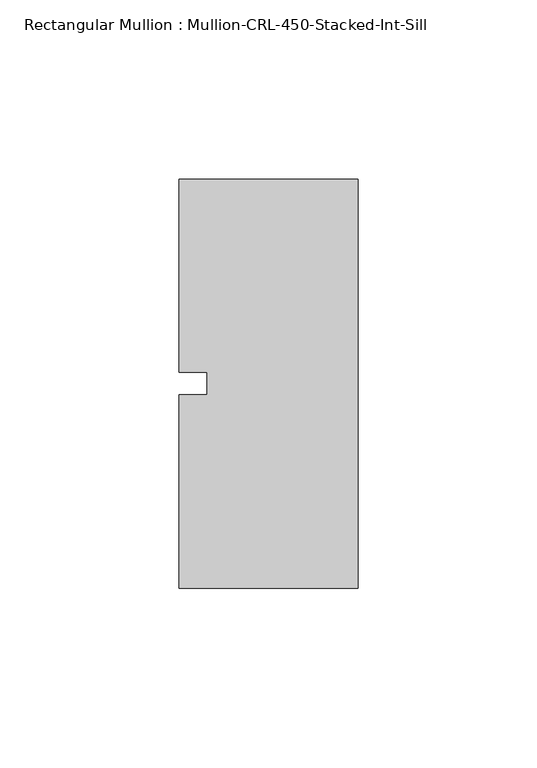
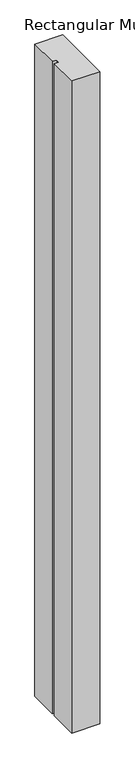
"""IFC4 building model written with IfcOpenShell, lengths in millimetres: member geometry, Rectangular Mullion : Mullion-CRL-450-Stacked-Int-Sill."""

from ifc_helpers import new_model, si_unit, frame, origin, place, context, project, spatial, polyline, outline, extrude, source, transform, mapped, element, save


def rectangular_mullion_mullion_crl_450_stacked_int_sill_9d4fa741(model_context):
    return source(origin(), model_context, "Body", "SweptSolid", [
        extrude(outline(polyline([(-50.1078305, -3.175), (-42.1703305, -3.175), (-42.1703305, 3.175), (-50.1078305, 3.175), (-50.1078305, 57.15), (0.0, 57.15), (0.0, -57.15), (-50.1078305, -57.15), (-50.1078305, -3.175)])), frame((0.0, 0.0, -1234.0166667), z_axis=(0.0, 0.0, 1.0), x_axis=(1.0, 0.0, 0.0)), (0.0, 0.0, 1.0), 1234.0166667),
    ])


if __name__ == "__main__":
    model = new_model("IFC4")
    model_context = context("Model", 3, world=origin())
    ifc_project = project(units=[si_unit("LENGTHUNIT", "METRE", prefix="MILLI")], contexts=[model_context])
    site = spatial("IfcSite", under=ifc_project)
    building = spatial("IfcBuilding", under=site)
    placement = place(None, origin())
    rectangular_mullion_mullion_crl_450_stacked_int_sill_shape = rectangular_mullion_mullion_crl_450_stacked_int_sill_9d4fa741(model_context)
    element("IfcMember", 1, ObjectType="Rectangular Mullion : Mullion-CRL-450-Stacked-Int-Sill", at=placement, inside=building, context=model_context, shape_type="MappedRepresentation", body=[
        mapped(rectangular_mullion_mullion_crl_450_stacked_int_sill_shape, transform((0.0, 0.0, 0.0), x_axis=(1.0, 0.0, 0.0), y_axis=(0.0, 1.0, 0.0), z_axis=(0.0, 0.0, 1.0))),
    ])
    save(model, "model.ifc")
